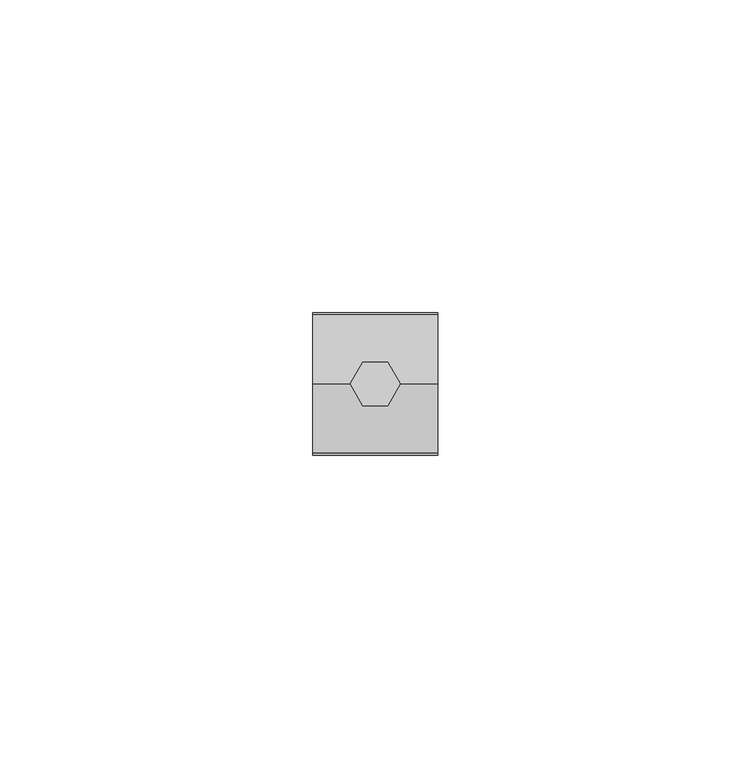
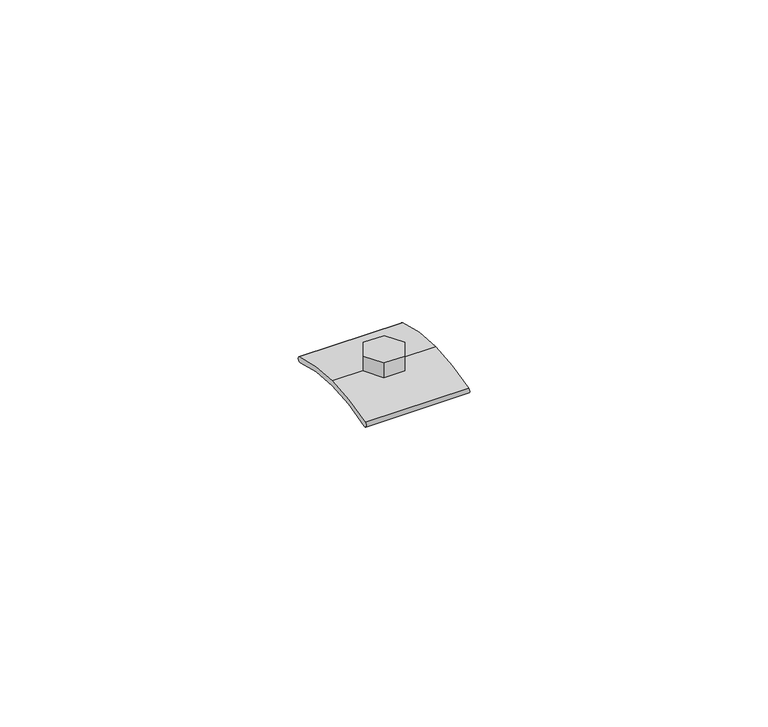
"""IFC4 building model written with IfcOpenShell, lengths in millimetres: beam geometry."""

from ifc_helpers import new_model, si_unit, point, frame, frame_2d, origin, place, context, project, spatial, polyline, circle_curve, trimmed, segment, composite_curve, outline, extrude, source, transform, mapped, element, save


def beam_2c57848d(model_context):
    return source(origin(), model_context, "Body", "SweptSolid", [
        extrude(outline(polyline([(2.0, 3.4641016), (4.0, 0.0), (2.0, -3.4641016), (-2.0, -3.4641016), (-4.0, 0.0), (-2.0, 3.4641016), (2.0, 3.4641016)])), frame((0.0, 0.0, -25.7896475), z_axis=(0.0, 0.0, 1.0), x_axis=(1.0, 0.0, 0.0)), (0.0, 0.0, 1.0), 3.0),
        extrude(outline(composite_curve([segment(trimmed(circle_curve(frame_2d((-0.0059149, -60.8891872)), 34.0995402), [point((0.0, -26.7896475))], [point((-10.7269336, -28.5188551))], True, "CARTESIAN"), True, "CONTINUOUS"), segment(trimmed(circle_curve(frame_2d((-10.8841354, -28.0442104)), 0.5), [point((-10.7269336, -28.5188551))], [point((-11.0413372, -27.5695657))], False, "CARTESIAN"), True, "CONTINUOUS"), segment(trimmed(circle_curve(frame_2d((-0.0059149, -60.8891872)), 35.0995402), [point((-11.0413372, -27.5695657))], [point((0.0, -25.7896475))], False, "CARTESIAN"), True, "CONTINUOUS"), segment(trimmed(circle_curve(frame_2d((0.0059149, -60.8891872)), 35.0995402), [point((0.0, -25.7896475))], [point((11.0413372, -27.5695657))], False, "CARTESIAN"), True, "CONTINUOUS"), segment(trimmed(circle_curve(frame_2d((10.8841354, -28.0442104)), 0.5), [point((11.0413372, -27.5695657))], [point((10.7269336, -28.5188551))], False, "CARTESIAN"), True, "CONTINUOUS"), segment(trimmed(circle_curve(frame_2d((0.0059149, -60.8891872)), 34.0995402), [point((10.7269336, -28.5188551))], [point((0.0, -26.7896475))], True, "CARTESIAN"), True, "CONTINUOUS")], self_intersect=False)), frame((-10.003063, 0.0, 0.0), z_axis=(1.0, 0.0, 0.0), x_axis=(0.0, 1.0, 0.0)), (0.0, 0.0, 1.0), 20.0061261),
    ])


if __name__ == "__main__":
    model = new_model("IFC4")
    model_context = context("Model", 3, world=origin())
    ifc_project = project(units=[si_unit("LENGTHUNIT", "METRE", prefix="MILLI")], contexts=[model_context])
    site = spatial("IfcSite", under=ifc_project)
    building = spatial("IfcBuilding", under=site)
    placement = place(None, origin())
    beam_shape = beam_2c57848d(model_context)
    element("IfcBeam", 1, at=placement, inside=building, context=model_context, shape_type="MappedRepresentation", body=[
        mapped(beam_shape, transform((0.0, 0.0, 0.0), x_axis=(1.0, 0.0, 0.0), y_axis=(0.0, 1.0, 0.0), z_axis=(0.0, 0.0, 1.0))),
    ])
    save(model, "model.ifc")
